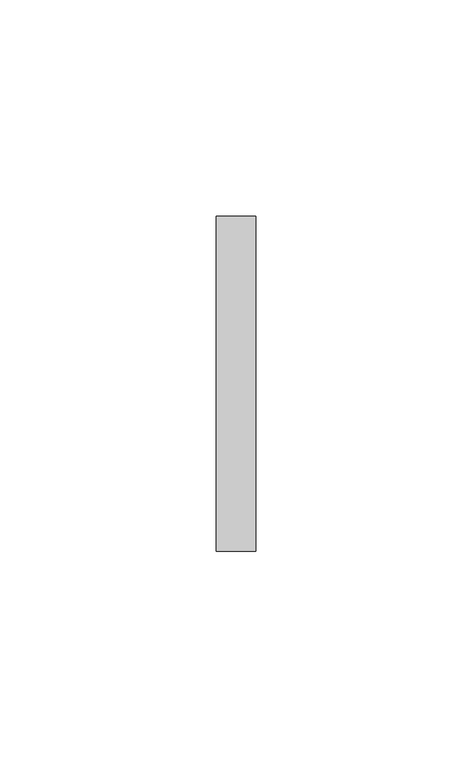
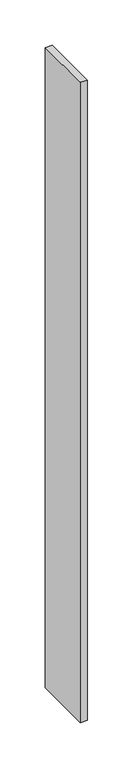
"""IFC4 building model written with IfcOpenShell, lengths in millimetres: furniture geometry."""

from ifc_helpers import new_model, si_unit, frame, origin, place, context, project, spatial, polyline, outline, extrude, source, transform, mapped, element, save


def furniture_39084cd5(model_context):
    return source(origin(), model_context, "Body", "SweptSolid", [
        extrude(outline(polyline([(5.5434607, 38.6537944), (5.5434607, -38.8360494), (-3.5846643, -38.8360494), (-3.5846643, 38.6537944), (5.5434607, 38.6537944)])), frame((0.0, 0.0, 14.2875), z_axis=(0.0, 0.0, 1.0), x_axis=(1.0, 0.0, 0.0)), (0.0, 0.0, 1.0), 863.6635),
    ])


if __name__ == "__main__":
    model = new_model("IFC4")
    model_context = context("Model", 3, world=origin())
    ifc_project = project(units=[si_unit("LENGTHUNIT", "METRE", prefix="MILLI")], contexts=[model_context])
    site = spatial("IfcSite", under=ifc_project)
    building = spatial("IfcBuilding", under=site)
    placement = place(None, origin())
    furniture_shape = furniture_39084cd5(model_context)
    element("IfcFurniture", 1, at=placement, inside=building, context=model_context, shape_type="MappedRepresentation", body=[
        mapped(furniture_shape, transform((0.0, 0.0, 0.0), x_axis=(1.0, 0.0, 0.0), y_axis=(0.0, 1.0, 0.0), z_axis=(0.0, 0.0, 1.0))),
    ])
    save(model, "model.ifc")
